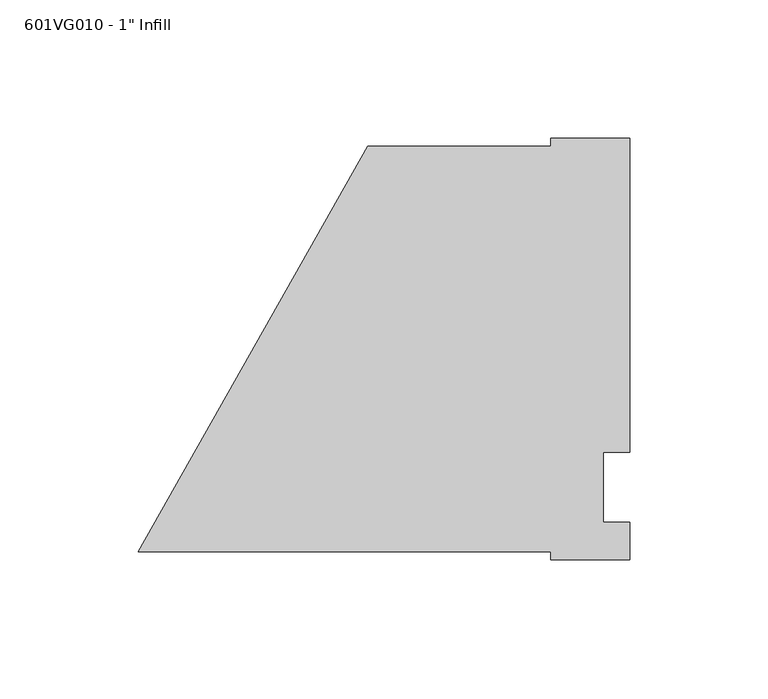
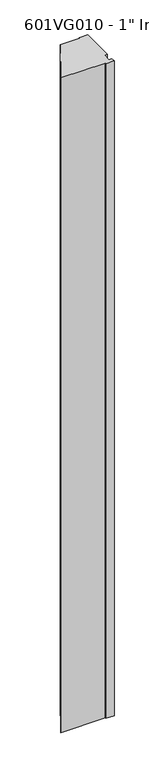
"""IFC4 building model written with IfcOpenShell, lengths in millimetres: proxy geometry."""

from ifc_helpers import new_model, si_unit, frame, origin, place, context, project, spatial, polyline, outline, extrude, source, transform, mapped, element, save


def proxy_a864ad34(model_context):
    return source(origin(), model_context, "Body", "SweptSolid", [
        extrude(outline(polyline([(177.8, -26.19375), (149.1581978, -26.19375), (149.1581978, -23.33625), (0.0, -23.33625), (82.99038, 123.34875), (149.2711005, 123.34875), (149.2711005, 126.20625), (177.8, 126.20625), (177.8, 12.7), (168.275, 12.7), (168.275, -12.7), (177.8, -12.7), (177.8, -26.19375)])), frame((0.0, 0.0, 50.8), z_axis=(0.0, 0.0, 1.0), x_axis=(1.0, 0.0, 0.0)), (0.0, 0.0, 1.0), 2324.1),
    ])


if __name__ == "__main__":
    model = new_model("IFC4")
    model_context = context("Model", 3, world=origin())
    ifc_project = project(units=[si_unit("LENGTHUNIT", "METRE", prefix="MILLI")], contexts=[model_context])
    site = spatial("IfcSite", under=ifc_project)
    building = spatial("IfcBuilding", under=site)
    placement = place(None, origin())
    proxy_shape = proxy_a864ad34(model_context)
    element("IfcBuildingElementProxy", 1, Name="601VG010 - 1\" Infill", ObjectType="601VG010 - 1\" Infill", at=placement, inside=building, context=model_context, shape_type="MappedRepresentation", body=[
        mapped(proxy_shape, transform((0.0, 0.0, 0.0), x_axis=(1.0, 0.0, 0.0), y_axis=(0.0, 1.0, 0.0), z_axis=(0.0, 0.0, 1.0))),
    ])
    save(model, "model.ifc")
